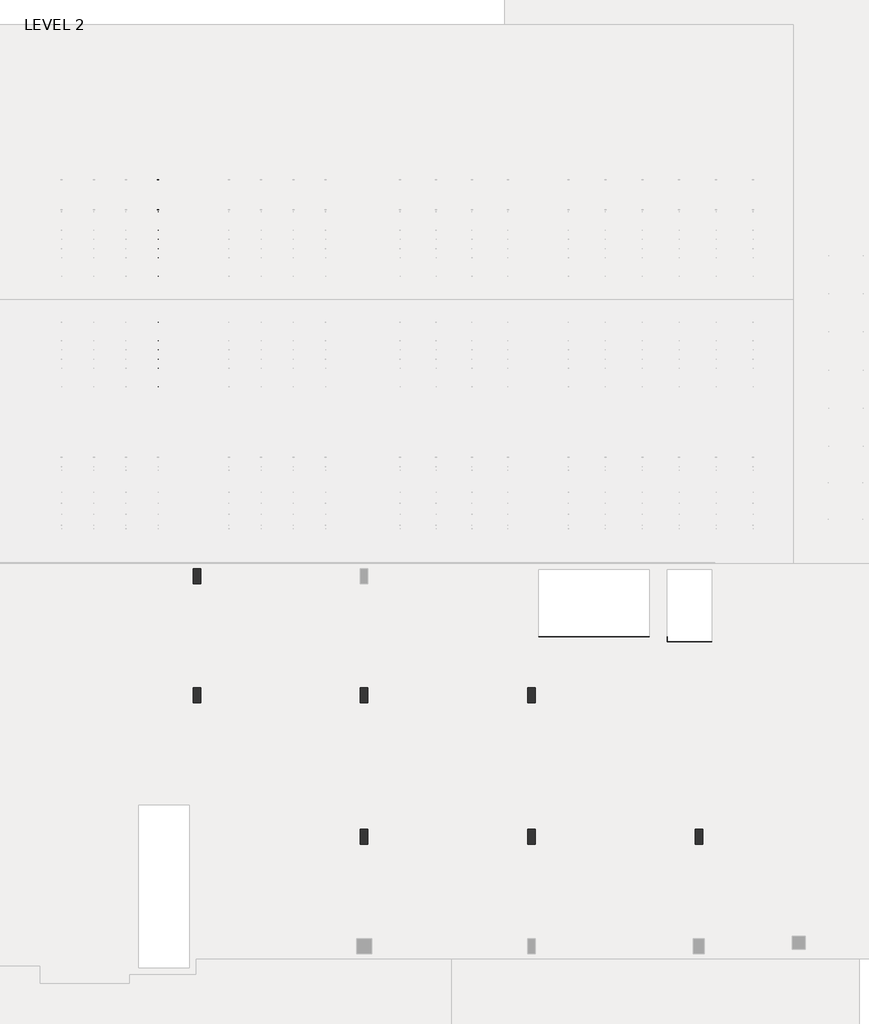
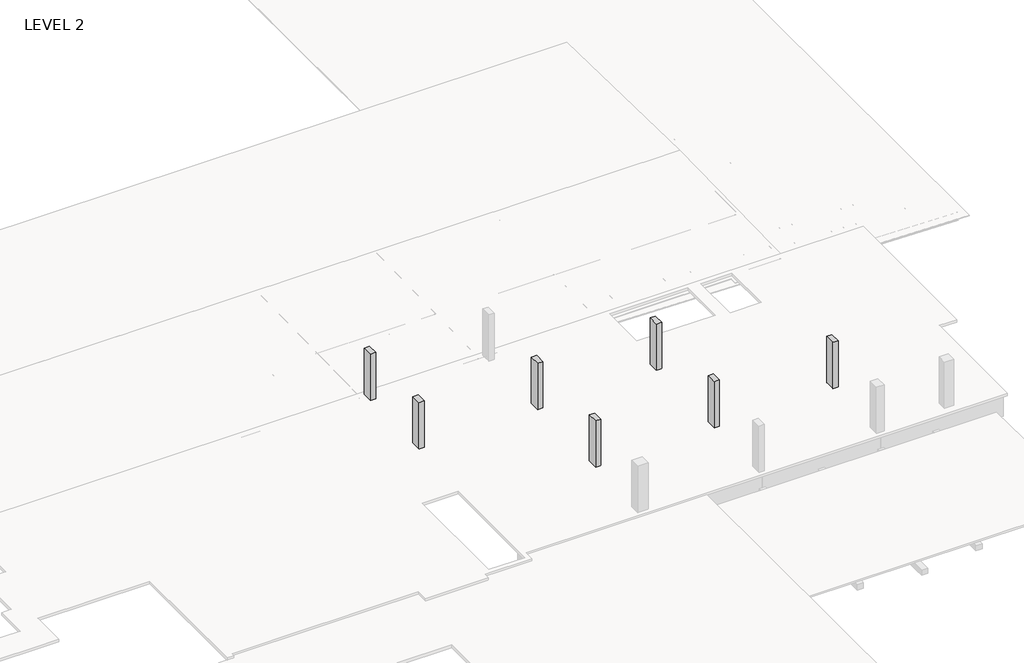
# One storey, part 35 of 67: 7 columns, 4 beams.
"""IFC4 building model written with IfcOpenShell, lengths in millimetres."""

from ifc_helpers import new_model, si_unit, frame, origin, place, context, project, spatial, polyline, outline, extrude, faceted_brep, element, save

model = new_model("IFC4")

# Units and contexts
model_context = context("Model", 3, world=origin())
ifc_project = project(units=[si_unit("LENGTHUNIT", "METRE", prefix="MILLI")], contexts=[model_context])

# Site, building, storey
site = spatial("IfcSite", under=ifc_project)
building = spatial("IfcBuilding", under=site)
storey = spatial("IfcBuildingStorey", under=building, Name="LEVEL 2", Elevation=6908.8)

# Beams
placement = place(None, origin())
element("IfcBeam", 1, ObjectType="K-Series Bar Joist-Angle Web : 30K7", at=placement, inside=storey, context=model_context, shape_type="SolidModel", body=[
    extrude(outline(polyline([(0.0, -9.525), (0.0, 0.0), (1596.011582, 0.0), (1596.011582, -9.525), (0.0, -9.525)])), frame((30825.0014942, 3035.5608234, 6301.5998528), z_axis=(0.0, -0.45537207995192985, 0.8903012236317849), x_axis=(0.0, -0.8903012236317849, -0.45537207995192985)), (0.0, 0.0, 1.0), 9.525),
    extrude(outline(polyline([(0.0, -9.525), (0.0, 0.0), (1596.011582, 0.0), (1596.011582, -9.525), (0.0, -9.525)])), frame((30815.4764942, -9405.2089013, 6276.405159), z_axis=(0.0, 0.45176233395621196, 0.8921383265046045), x_axis=(0.0, 0.8921383265046045, -0.45176233395621196)), (0.0, 0.0, 1.0), 9.525),
    extrude(outline(polyline([(4.7625, 4.7625), (4.7625, -4.7625), (-4.7625, -4.7625), (-4.7625, 4.7625), (4.7625, 4.7625)])), frame((30820.2389942, 1612.4610495, 5579.0607987), z_axis=(0.0, 0.5141906943646374, 0.8576758885667779), x_axis=(-1.0, 0.0, 0.0)), (0.0, 0.0, 1.0), 845.0528554),
    extrude(outline(polyline([(4.7625, 4.7625), (4.7625, -4.7625), (-4.7625, -4.7625), (-4.7625, 4.7625), (4.7625, 4.7625)])), frame((30820.2389942, -7979.1942813, 5559.6360505), z_axis=(0.0, -0.5176603441548682, 0.8555862131249332), x_axis=(-1.0, 0.0, 0.0)), (0.0, 0.0, 1.0), 845.0528554),
    extrude(outline(polyline([(0.0, 0.0), (31.75, 0.0), (31.75, -6.35), (6.35, -6.35), (6.35, -31.75), (0.0, -31.75), (0.0, 0.0)])), frame((30825.0014942, -8080.7812131, 5553.0803065), z_axis=(0.0, 0.9999979493462576, 0.0020251674695521043), x_axis=(1.0, 0.0, 0.0)), (0.0, 0.0, 1.0), 9794.875),
    extrude(outline(polyline([(-9.525, 0.0), (-9.525, -31.75), (-15.875, -31.75), (-15.875, -6.35), (-41.275, -6.35), (-41.275, 0.0), (-9.525, 0.0)])), frame((30825.0014942, -8080.7812131, 5553.0803065), z_axis=(0.0, 0.9999979493462576, 0.0020251674695521043), x_axis=(1.0, 0.0, 0.0)), (0.0, 0.0, 1.0), 9794.875),
    extrude(outline(polyline([(-31.75, 0.0), (0.0, 0.0), (0.0, -6.35), (-25.4, -6.35), (-25.4, -31.75), (-31.75, -31.75), (-31.75, 0.0)])), frame((30856.7514942, -9504.5928758, 6248.6982759), z_axis=(0.0, 0.9999979493462576, 0.0020251674695521043), x_axis=(1.0, 0.0, 0.0)), (0.0, 0.0, 1.0), 101.6),
    extrude(outline(polyline([(-41.275, 0.0), (-41.275, -31.75), (-47.625, -31.75), (-47.625, -6.35), (-73.025, -6.35), (-73.025, 0.0), (-41.275, 0.0)])), frame((30856.7514942, -9504.5928758, 6248.6982759), z_axis=(0.0, 0.9999979493462576, 0.0020251674695521043), x_axis=(1.0, 0.0, 0.0)), (0.0, 0.0, 1.0), 101.6),
    extrude(outline(polyline([(0.0, 0.0), (31.75, 0.0), (31.75, -6.35), (6.35, -6.35), (6.35, -31.75), (0.0, -31.75), (0.0, 0.0)])), frame((30815.4764942, 3033.456413, 6274.0899775), z_axis=(0.0, 0.9999979493462576, 0.0020251674695521043), x_axis=(0.0, -0.0020251674695521043, 0.9999979493462576)), (0.0, 0.0, 1.0), 101.6),
    extrude(outline(polyline([(0.0, 41.275), (6.35, 41.275), (6.35, 15.875), (31.75, 15.875), (31.75, 9.525), (0.0, 9.525), (0.0, 41.275)])), frame((30815.4764942, 3033.456413, 6274.0899775), z_axis=(0.0, 0.9999979493462576, 0.0020251674695521043), x_axis=(0.0, -0.0020251674695521043, 0.9999979493462576)), (0.0, 0.0, 1.0), 101.6),
    extrude(outline(polyline([(0.0, 0.0), (31.75, 0.0), (31.75, -6.35), (6.35, -6.35), (6.35, -31.75), (0.0, -31.75), (0.0, 0.0)])), frame((30825.0014942, -9504.7214739, 6312.1981457), z_axis=(0.0, 0.9999979493462576, 0.0020251674695521043), x_axis=(0.0, 0.0020251674695521043, -0.9999979493462576)), (0.0, 0.0, 1.0), 12639.675),
    extrude(outline(polyline([(0.0, 9.525), (0.0, 41.275), (6.35, 41.275), (6.35, 15.875), (31.75, 15.875), (31.75, 9.525), (0.0, 9.525)])), frame((30825.0014942, -9504.7214739, 6312.1981457), z_axis=(0.0, 0.9999979493462576, 0.0020251674695521043), x_axis=(0.0, 0.0020251674695521043, -0.9999979493462576)), (0.0, 0.0, 1.0), 12639.675),
    faceted_brep([(30820.2389942, 1612.4289, 5594.9357661), (30820.2389942, 1612.4674794, 5575.8858052), (30815.4764942, 1612.4674794, 5575.8858052), (30815.4764942, 1612.4289, 5594.9357661), (30820.2389942, 1611.5910583, 5594.9340693), (30820.2389942, 1186.8149607, 6330.6753354), (30820.2389942, 1168.6028414, 6330.6384527), (30820.2389942, 1168.6414208, 6311.5884918), (30820.2389942, 1175.8292494, 6311.6030483), (30820.2389942, 1600.6053471, 5575.8617823), (30815.4764942, 1600.6053471, 5575.8617823), (30815.4764942, 1580.4651011, 5610.7460665), (30815.4764942, 1584.5895575, 5613.1272983), (30815.4764942, 1189.1083632, 6298.1277874), (30815.4764942, 1184.9839067, 6295.7465555), (30815.4764942, 1175.8292494, 6311.6030483), (30815.4764942, 1168.6414208, 6311.5884918), (30815.4764942, 1168.6028414, 6330.6384527), (30815.4764942, 1186.8149607, 6330.6753354), (30815.4764942, 1611.5910583, 5594.9340693), (30802.7764942, 1184.9839067, 6295.7465555), (30802.7764942, 1580.4651011, 5610.7460665), (30802.7764942, 1584.5895575, 5613.1272983), (30802.7764942, 1189.1083632, 6298.1277874)], [[[0, 1, 2, 3]], [[1, 0, 4, 5, 6, 7, 8, 9]], [[2, 1, 9, 10]], [[3, 2, 10, 11, 12, 13, 14, 15, 16, 17, 18, 19]], [[0, 3, 19, 4]], [[9, 8, 15, 14, 20, 21, 11, 10]], [[5, 4, 19, 18]], [[7, 6, 17, 16]], [[8, 7, 16, 15]], [[6, 5, 18, 17]], [[21, 22, 12, 11]], [[20, 14, 13, 23]], [[22, 21, 20, 23]], [[12, 22, 23, 13]]]),
    extrude(outline(polyline([(740.498813, 5574.119919), (740.4602335, 5593.1698799), (741.2980751, 5593.1715767), (1163.090696, 6330.6272897), (1181.3028154, 6330.6641723), (1181.3413948, 6311.6142114), (1174.1535662, 6311.5996548), (752.3609453, 5574.1439418), (740.498813, 5574.119919)])), frame((30820.2389942, 0.0, 0.0), z_axis=(1.0, 0.0, 0.0), x_axis=(0.0, 1.0, 0.0)), (0.0, 0.0, 1.0), 4.7625),
    extrude(outline(polyline([(-4.7625, 4.7625), (-4.7625, 0.0), (-17.4625, 0.0), (-17.4625, 4.7625), (-4.7625, 4.7625)])), frame((30820.2389942, 772.3597334, 5609.1095144), z_axis=(0.0, 0.4964843899757221, 0.8680456500152716), x_axis=(-1.0, 0.0, 0.0)), (0.0, 0.0, 1.0), 790.9684223),
    faceted_brep([(30820.2389942, -7107.2577644, 5577.2769041), (30820.2389942, -7107.219185, 5558.2269432), (30815.4764942, -7107.219185, 5558.2269432), (30815.4764942, -7107.2577644, 5577.2769041), (30820.2389942, -7108.095606, 5577.2752074), (30820.2389942, -7532.8717036, 6313.0164734), (30820.2389942, -7551.083823, 6312.9795907), (30820.2389942, -7551.0452435, 6293.9296298), (30820.2389942, -7543.8574149, 6293.9441864), (30820.2389942, -7119.0813173, 5558.2029203), (30815.4764942, -7119.0813173, 5558.2029203), (30815.4764942, -7139.2215633, 5593.0872045), (30815.4764942, -7135.0971068, 5595.4684363), (30815.4764942, -7530.5783012, 6280.4689254), (30815.4764942, -7534.7027576, 6278.0876936), (30815.4764942, -7543.8574149, 6293.9441864), (30815.4764942, -7551.0452435, 6293.9296298), (30815.4764942, -7551.083823, 6312.9795907), (30815.4764942, -7532.8717036, 6313.0164734), (30815.4764942, -7108.095606, 5577.2752074), (30802.7764942, -7534.7027576, 6278.0876936), (30802.7764942, -7139.2215633, 5593.0872045), (30802.7764942, -7135.0971068, 5595.4684363), (30802.7764942, -7530.5783012, 6280.4689254)], [[[0, 1, 2, 3]], [[1, 0, 4, 5, 6, 7, 8, 9]], [[2, 1, 9, 10]], [[3, 2, 10, 11, 12, 13, 14, 15, 16, 17, 18, 19]], [[0, 3, 19, 4]], [[9, 8, 15, 14, 20, 21, 11, 10]], [[5, 4, 19, 18]], [[7, 6, 17, 16]], [[8, 7, 16, 15]], [[6, 5, 18, 17]], [[21, 22, 12, 11]], [[20, 14, 13, 23]], [[22, 21, 20, 23]], [[12, 22, 23, 13]]]),
    extrude(outline(polyline([(-7979.1878514, 5556.461057), (-7979.2264308, 5575.5110179), (-7978.3885892, 5575.5127147), (-7556.5959683, 6312.9684277), (-7538.383849, 6313.0053103), (-7538.3452696, 6293.9553494), (-7545.5330982, 6293.9407928), (-7967.3257191, 5556.4850798), (-7979.1878514, 5556.461057)])), frame((30820.2389942, 0.0, 0.0), z_axis=(1.0, 0.0, 0.0), x_axis=(0.0, 1.0, 0.0)), (0.0, 0.0, 1.0), 4.7625),
    extrude(outline(polyline([(-4.7625, 4.7625), (-4.7625, 0.0), (-17.4625, 0.0), (-17.4625, 4.7625), (-4.7625, 4.7625)])), frame((30820.2389942, -7947.326931, 5591.4506524), z_axis=(0.0, 0.4964843899757221, 0.8680456500152716), x_axis=(-1.0, 0.0, 0.0)), (0.0, 0.0, 1.0), 790.9684223),
    faceted_brep([(30820.2389942, 740.4602335, 5593.1698799), (30820.2389942, 740.498813, 5574.119919), (30815.4764942, 740.498813, 5574.119919), (30815.4764942, 740.4602335, 5593.1698799), (30820.2389942, 739.6223919, 5593.1681831), (30820.2389942, 314.8462943, 6328.9094492), (30820.2389942, 296.634175, 6328.8725665), (30820.2389942, 296.6727544, 6309.8226056), (30820.2389942, 303.860583, 6309.8371621), (30820.2389942, 728.6366806, 5574.0958961), (30815.4764942, 728.6366806, 5574.0958961), (30815.4764942, 708.4964346, 5608.9801803), (30815.4764942, 712.6208911, 5611.3614121), (30815.4764942, 317.1396968, 6296.3619012), (30815.4764942, 313.0152403, 6293.9806693), (30815.4764942, 303.860583, 6309.8371621), (30815.4764942, 296.6727544, 6309.8226056), (30815.4764942, 296.634175, 6328.8725665), (30815.4764942, 314.8462943, 6328.9094492), (30815.4764942, 739.6223919, 5593.1681831), (30802.7764942, 313.0152403, 6293.9806693), (30802.7764942, 708.4964346, 5608.9801803), (30802.7764942, 712.6208911, 5611.3614121), (30802.7764942, 317.1396968, 6296.3619012)], [[[0, 1, 2, 3]], [[1, 0, 4, 5, 6, 7, 8, 9]], [[2, 1, 9, 10]], [[3, 2, 10, 11, 12, 13, 14, 15, 16, 17, 18, 19]], [[0, 3, 19, 4]], [[9, 8, 15, 14, 20, 21, 11, 10]], [[5, 4, 19, 18]], [[7, 6, 17, 16]], [[8, 7, 16, 15]], [[6, 5, 18, 17]], [[21, 22, 12, 11]], [[20, 14, 13, 23]], [[22, 21, 20, 23]], [[12, 22, 23, 13]]]),
    extrude(outline(polyline([(-131.4698535, 5572.3540328), (-131.5084329, 5591.4039937), (-130.6705913, 5591.4056905), (291.1220296, 6328.8614035), (309.3341489, 6328.8982861), (309.3727284, 6309.8483252), (302.1848998, 6309.8337686), (-119.6077211, 5572.3780556), (-131.4698535, 5572.3540328)])), frame((30820.2389942, 0.0, 0.0), z_axis=(1.0, 0.0, 0.0), x_axis=(0.0, 1.0, 0.0)), (0.0, 0.0, 1.0), 4.7625),
    extrude(outline(polyline([(-4.7625, 4.7625), (-4.7625, 0.0), (-17.4625, 0.0), (-17.4625, 4.7625), (-4.7625, 4.7625)])), frame((30820.2389942, -99.6089331, 5607.3436282), z_axis=(0.0, 0.4964843899757221, 0.8680456500152716), x_axis=(-1.0, 0.0, 0.0)), (0.0, 0.0, 1.0), 790.9684223),
    faceted_brep([(30820.2389942, -131.5084329, 5591.4039937), (30820.2389942, -131.4698535, 5572.3540328), (30815.4764942, -131.4698535, 5572.3540328), (30815.4764942, -131.5084329, 5591.4039937), (30820.2389942, -132.3462745, 5591.4022969), (30820.2389942, -557.1223722, 6327.143563), (30820.2389942, -575.3344915, 6327.1066803), (30820.2389942, -575.295912, 6308.0567194), (30820.2389942, -568.1080834, 6308.0712759), (30820.2389942, -143.3319858, 5572.3300099), (30815.4764942, -143.3319858, 5572.3300099), (30815.4764942, -163.4722318, 5607.2142941), (30815.4764942, -159.3477753, 5609.5955259), (30815.4764942, -554.8289697, 6294.596015), (30815.4764942, -558.9534262, 6292.2147831), (30815.4764942, -568.1080834, 6308.0712759), (30815.4764942, -575.295912, 6308.0567194), (30815.4764942, -575.3344915, 6327.1066803), (30815.4764942, -557.1223722, 6327.143563), (30815.4764942, -132.3462745, 5591.4022969), (30802.7764942, -558.9534262, 6292.2147831), (30802.7764942, -163.4722318, 5607.2142941), (30802.7764942, -159.3477753, 5609.5955259), (30802.7764942, -554.8289697, 6294.596015)], [[[0, 1, 2, 3]], [[1, 0, 4, 5, 6, 7, 8, 9]], [[2, 1, 9, 10]], [[3, 2, 10, 11, 12, 13, 14, 15, 16, 17, 18, 19]], [[0, 3, 19, 4]], [[9, 8, 15, 14, 20, 21, 11, 10]], [[5, 4, 19, 18]], [[7, 6, 17, 16]], [[8, 7, 16, 15]], [[6, 5, 18, 17]], [[21, 22, 12, 11]], [[20, 14, 13, 23]], [[22, 21, 20, 23]], [[12, 22, 23, 13]]]),
    extrude(outline(polyline([(-1003.4385199, 5570.5881466), (-1003.4770993, 5589.6381075), (-1002.6392577, 5589.6398043), (-580.8466368, 6327.0955173), (-562.6345175, 6327.1323999), (-562.5959381, 6308.082439), (-569.7837667, 6308.0678824), (-991.5763876, 5570.6121694), (-1003.4385199, 5570.5881466)])), frame((30820.2389942, 0.0, 0.0), z_axis=(1.0, 0.0, 0.0), x_axis=(0.0, 1.0, 0.0)), (0.0, 0.0, 1.0), 4.7625),
    extrude(outline(polyline([(-4.7625, 4.7625), (-4.7625, 0.0), (-17.4625, 0.0), (-17.4625, 4.7625), (-4.7625, 4.7625)])), frame((30820.2389942, -971.5775995, 5605.577742), z_axis=(0.0, 0.4964843899757221, 0.8680456500152716), x_axis=(-1.0, 0.0, 0.0)), (0.0, 0.0, 1.0), 790.9684223),
    faceted_brep([(30820.2389942, -1003.4770993, 5589.6381075), (30820.2389942, -1003.4385199, 5570.5881466), (30815.4764942, -1003.4385199, 5570.5881466), (30815.4764942, -1003.4770993, 5589.6381075), (30820.2389942, -1004.314941, 5589.6364107), (30820.2389942, -1429.0910386, 6325.3776768), (30820.2389942, -1447.3031579, 6325.3407941), (30820.2389942, -1447.2645785, 6306.2908332), (30820.2389942, -1440.0767499, 6306.3053897), (30820.2389942, -1015.3006522, 5570.5641237), (30815.4764942, -1015.3006522, 5570.5641237), (30815.4764942, -1035.4408983, 5605.4484079), (30815.4764942, -1031.3164418, 5607.8296397), (30815.4764942, -1426.7976361, 6292.8301288), (30815.4764942, -1430.9220926, 6290.4488969), (30815.4764942, -1440.0767499, 6306.3053897), (30815.4764942, -1447.2645785, 6306.2908332), (30815.4764942, -1447.3031579, 6325.3407941), (30815.4764942, -1429.0910386, 6325.3776768), (30815.4764942, -1004.314941, 5589.6364107), (30802.7764942, -1430.9220926, 6290.4488969), (30802.7764942, -1035.4408983, 5605.4484079), (30802.7764942, -1031.3164418, 5607.8296397), (30802.7764942, -1426.7976361, 6292.8301288)], [[[0, 1, 2, 3]], [[1, 0, 4, 5, 6, 7, 8, 9]], [[2, 1, 9, 10]], [[3, 2, 10, 11, 12, 13, 14, 15, 16, 17, 18, 19]], [[0, 3, 19, 4]], [[9, 8, 15, 14, 20, 21, 11, 10]], [[5, 4, 19, 18]], [[7, 6, 17, 16]], [[8, 7, 16, 15]], [[6, 5, 18, 17]], [[21, 22, 12, 11]], [[20, 14, 13, 23]], [[22, 21, 20, 23]], [[12, 22, 23, 13]]]),
    extrude(outline(polyline([(-1875.4071863, 5568.8222604), (-1875.4457658, 5587.8722213), (-1874.6079242, 5587.8739181), (-1452.8153033, 6325.3296311), (-1434.6031839, 6325.3665137), (-1434.5646045, 6306.3165528), (-1441.7524331, 6306.3019962), (-1863.545054, 5568.8462832), (-1875.4071863, 5568.8222604)])), frame((30820.2389942, 0.0, 0.0), z_axis=(1.0, 0.0, 0.0), x_axis=(0.0, 1.0, 0.0)), (0.0, 0.0, 1.0), 4.7625),
    extrude(outline(polyline([(-4.7625, 4.7625001), (-4.7625, 0.0), (-17.4625, 0.0), (-17.4625, 4.7625001), (-4.7625, 4.7625001)])), frame((30820.2389942, -1843.5462659, 5603.8118558), z_axis=(0.0, 0.4964843899757221, 0.8680456500152716), x_axis=(-1.0, 0.0, 0.0)), (0.0, 0.0, 1.0), 790.9684223),
    faceted_brep([(30820.2389942, -1875.4457658, 5587.8722213), (30820.2389942, -1875.4071863, 5568.8222604), (30815.4764942, -1875.4071863, 5568.8222604), (30815.4764942, -1875.4457658, 5587.8722213), (30820.2389942, -1876.2836074, 5587.8705245), (30820.2389942, -2301.059705, 6323.6117906), (30820.2389942, -2319.2718243, 6323.5749079), (30820.2389942, -2319.2332449, 6304.524947), (30820.2389942, -2312.0454163, 6304.5395035), (30820.2389942, -1887.2693187, 5568.7982375), (30815.4764942, -1887.2693187, 5568.7982375), (30815.4764942, -1907.4095647, 5603.6825217), (30815.4764942, -1903.2851082, 5606.0637535), (30815.4764942, -2298.7663026, 6291.0642426), (30815.4764942, -2302.890759, 6288.6830107), (30815.4764942, -2312.0454163, 6304.5395035), (30815.4764942, -2319.2332449, 6304.524947), (30815.4764942, -2319.2718243, 6323.5749079), (30815.4764942, -2301.059705, 6323.6117906), (30815.4764942, -1876.2836074, 5587.8705245), (30802.7764942, -2302.890759, 6288.6830107), (30802.7764942, -1907.4095647, 5603.6825217), (30802.7764942, -1903.2851082, 5606.0637535), (30802.7764942, -2298.7663026, 6291.0642426)], [[[0, 1, 2, 3]], [[1, 0, 4, 5, 6, 7, 8, 9]], [[2, 1, 9, 10]], [[3, 2, 10, 11, 12, 13, 14, 15, 16, 17, 18, 19]], [[0, 3, 19, 4]], [[9, 8, 15, 14, 20, 21, 11, 10]], [[5, 4, 19, 18]], [[7, 6, 17, 16]], [[8, 7, 16, 15]], [[6, 5, 18, 17]], [[21, 22, 12, 11]], [[20, 14, 13, 23]], [[22, 21, 20, 23]], [[12, 22, 23, 13]]]),
    extrude(outline(polyline([(-2747.3758528, 5567.0563742), (-2747.4144322, 5586.1063351), (-2746.5765906, 5586.1080319), (-2324.7839697, 6323.5637449), (-2306.5718504, 6323.6006275), (-2306.5332709, 6304.5506666), (-2313.7210995, 6304.53611), (-2735.5137204, 5567.080397), (-2747.3758528, 5567.0563742)])), frame((30820.2389942, 0.0, 0.0), z_axis=(1.0, 0.0, 0.0), x_axis=(0.0, 1.0, 0.0)), (0.0, 0.0, 1.0), 4.7625),
    extrude(outline(polyline([(-4.7625, 4.7625), (-4.7625, 0.0), (-17.4625, 0.0), (-17.4625, 4.7625), (-4.7625, 4.7625)])), frame((30820.2389942, -2715.5149324, 5602.0459696), z_axis=(0.0, 0.4964843899757221, 0.8680456500152716), x_axis=(-1.0, 0.0, 0.0)), (0.0, 0.0, 1.0), 790.9684223),
    faceted_brep([(30820.2389942, -2747.4144322, 5586.1063351), (30820.2389942, -2747.3758528, 5567.0563742), (30815.4764942, -2747.3758528, 5567.0563742), (30815.4764942, -2747.4144322, 5586.1063351), (30820.2389942, -2748.2522738, 5586.1046383), (30820.2389942, -3173.0283715, 6321.8459044), (30820.2389942, -3191.2404908, 6321.8090217), (30820.2389942, -3191.2019113, 6302.7590608), (30820.2389942, -3184.0140827, 6302.7736173), (30820.2389942, -2759.2379851, 5567.0323513), (30815.4764942, -2759.2379851, 5567.0323513), (30815.4764942, -2779.3782311, 5601.9166355), (30815.4764942, -2775.2537747, 5604.2978673), (30815.4764942, -3170.734969, 6289.2983564), (30815.4764942, -3174.8594255, 6286.9171245), (30815.4764942, -3184.0140827, 6302.7736173), (30815.4764942, -3191.2019113, 6302.7590608), (30815.4764942, -3191.2404908, 6321.8090217), (30815.4764942, -3173.0283715, 6321.8459044), (30815.4764942, -2748.2522738, 5586.1046383), (30802.7764942, -3174.8594255, 6286.9171245), (30802.7764942, -2779.3782311, 5601.9166355), (30802.7764942, -2775.2537747, 5604.2978673), (30802.7764942, -3170.734969, 6289.2983564)], [[[0, 1, 2, 3]], [[1, 0, 4, 5, 6, 7, 8, 9]], [[2, 1, 9, 10]], [[3, 2, 10, 11, 12, 13, 14, 15, 16, 17, 18, 19]], [[0, 3, 19, 4]], [[9, 8, 15, 14, 20, 21, 11, 10]], [[5, 4, 19, 18]], [[7, 6, 17, 16]], [[8, 7, 16, 15]], [[6, 5, 18, 17]], [[21, 22, 12, 11]], [[20, 14, 13, 23]], [[22, 21, 20, 23]], [[12, 22, 23, 13]]]),
    extrude(outline(polyline([(-3619.3445192, 5565.290488), (-3619.3830987, 5584.3404489), (-3618.545257, 5584.3421457), (-3196.7526361, 6321.7978587), (-3178.5405168, 6321.8347413), (-3178.5019374, 6302.7847804), (-3185.689766, 6302.7702238), (-3607.4823869, 5565.3145108), (-3619.3445192, 5565.290488)])), frame((30820.2389942, 0.0, 0.0), z_axis=(1.0, 0.0, 0.0), x_axis=(0.0, 1.0, 0.0)), (0.0, 0.0, 1.0), 4.7625),
    extrude(outline(polyline([(-4.7625, 4.7625), (-4.7625, 0.0), (-17.4625, 0.0), (-17.4625, 4.7625), (-4.7625, 4.7625)])), frame((30820.2389942, -3587.4835988, 5600.2800834), z_axis=(0.0, 0.4964843899757221, 0.8680456500152716), x_axis=(-1.0, 0.0, 0.0)), (0.0, 0.0, 1.0), 790.9684223),
    faceted_brep([(30820.2389942, -3619.3830987, 5584.3404489), (30820.2389942, -3619.3445192, 5565.290488), (30815.4764942, -3619.3445192, 5565.290488), (30815.4764942, -3619.3830987, 5584.3404489), (30820.2389942, -3620.2209403, 5584.3387521), (30820.2389942, -4044.9970379, 6320.0800182), (30820.2389942, -4063.2091572, 6320.0431355), (30820.2389942, -4063.1705778, 6300.9931746), (30820.2389942, -4055.9827492, 6301.0077311), (30820.2389942, -3631.2066516, 5565.2664651), (30815.4764942, -3631.2066516, 5565.2664651), (30815.4764942, -3651.3468976, 5600.1507493), (30815.4764942, -3647.2224411, 5602.5319811), (30815.4764942, -4042.7036354, 6287.5324702), (30815.4764942, -4046.8280919, 6285.1512383), (30815.4764942, -4055.9827492, 6301.0077311), (30815.4764942, -4063.1705778, 6300.9931746), (30815.4764942, -4063.2091572, 6320.0431355), (30815.4764942, -4044.9970379, 6320.0800182), (30815.4764942, -3620.2209403, 5584.3387521), (30802.7764942, -4046.8280919, 6285.1512383), (30802.7764942, -3651.3468976, 5600.1507493), (30802.7764942, -3647.2224411, 5602.5319811), (30802.7764942, -4042.7036354, 6287.5324702)], [[[0, 1, 2, 3]], [[1, 0, 4, 5, 6, 7, 8, 9]], [[2, 1, 9, 10]], [[3, 2, 10, 11, 12, 13, 14, 15, 16, 17, 18, 19]], [[0, 3, 19, 4]], [[9, 8, 15, 14, 20, 21, 11, 10]], [[5, 4, 19, 18]], [[7, 6, 17, 16]], [[8, 7, 16, 15]], [[6, 5, 18, 17]], [[21, 22, 12, 11]], [[20, 14, 13, 23]], [[22, 21, 20, 23]], [[12, 22, 23, 13]]]),
    extrude(outline(polyline([(-4491.3131857, 5563.5246018), (-4491.3517651, 5582.5745627), (-4490.5139235, 5582.5762595), (-4068.7213026, 6320.0319725), (-4050.5091833, 6320.0688551), (-4050.4706038, 6301.0188942), (-4057.6584324, 6301.0043376), (-4479.4510533, 5563.5486246), (-4491.3131857, 5563.5246018)])), frame((30820.2389942, 0.0, 0.0), z_axis=(1.0, 0.0, 0.0), x_axis=(0.0, 1.0, 0.0)), (0.0, 0.0, 1.0), 4.7625),
    extrude(outline(polyline([(-4.7625, 4.7625), (-4.7625, 0.0), (-17.4625, 0.0), (-17.4625, 4.7625), (-4.7625, 4.7625)])), frame((30820.2389942, -4459.4522653, 5598.5141972), z_axis=(0.0, 0.4964843899757221, 0.8680456500152716), x_axis=(-1.0, 0.0, 0.0)), (0.0, 0.0, 1.0), 790.9684223),
    faceted_brep([(30820.2389942, -4491.3517651, 5582.5745627), (30820.2389942, -4491.3131857, 5563.5246018), (30815.4764942, -4491.3131857, 5563.5246018), (30815.4764942, -4491.3517651, 5582.5745627), (30820.2389942, -4492.1896067, 5582.572866), (30820.2389942, -4916.9657043, 6318.314132), (30820.2389942, -4935.1778236, 6318.2772493), (30820.2389942, -4935.1392442, 6299.2272884), (30820.2389942, -4927.9514156, 6299.241845), (30820.2389942, -4503.175318, 5563.5005789), (30815.4764942, -4503.175318, 5563.5005789), (30815.4764942, -4523.315564, 5598.3848631), (30815.4764942, -4519.1911075, 5600.7660949), (30815.4764942, -4914.6723019, 6285.766584), (30815.4764942, -4918.7967583, 6283.3853521), (30815.4764942, -4927.9514156, 6299.241845), (30815.4764942, -4935.1392442, 6299.2272884), (30815.4764942, -4935.1778236, 6318.2772493), (30815.4764942, -4916.9657043, 6318.314132), (30815.4764942, -4492.1896067, 5582.572866), (30802.7764942, -4918.7967583, 6283.3853521), (30802.7764942, -4523.315564, 5598.3848631), (30802.7764942, -4519.1911075, 5600.7660949), (30802.7764942, -4914.6723019, 6285.766584)], [[[0, 1, 2, 3]], [[1, 0, 4, 5, 6, 7, 8, 9]], [[2, 1, 9, 10]], [[3, 2, 10, 11, 12, 13, 14, 15, 16, 17, 18, 19]], [[0, 3, 19, 4]], [[9, 8, 15, 14, 20, 21, 11, 10]], [[5, 4, 19, 18]], [[7, 6, 17, 16]], [[8, 7, 16, 15]], [[6, 5, 18, 17]], [[21, 22, 12, 11]], [[20, 14, 13, 23]], [[22, 21, 20, 23]], [[12, 22, 23, 13]]]),
    extrude(outline(polyline([(-5363.2818521, 5561.7587156), (-5363.3204315, 5580.8086765), (-5362.4825899, 5580.8103733), (-4940.689969, 6318.2660863), (-4922.4778497, 6318.3029689), (-4922.4392703, 6299.253008), (-4929.6270988, 6299.2384514), (-5351.4197198, 5561.7827384), (-5363.2818521, 5561.7587156)])), frame((30820.2389942, 0.0, 0.0), z_axis=(1.0, 0.0, 0.0), x_axis=(0.0, 1.0, 0.0)), (0.0, 0.0, 1.0), 4.7625),
    extrude(outline(polyline([(-4.7625, 4.7625), (-4.7625, 0.0), (-17.4625, 0.0), (-17.4625, 4.7625), (-4.7625, 4.7625)])), frame((30820.2389942, -5331.4209317, 5596.748311), z_axis=(0.0, 0.4964843899757221, 0.8680456500152716), x_axis=(-1.0, 0.0, 0.0)), (0.0, 0.0, 1.0), 790.9684223),
    faceted_brep([(30820.2389942, -5363.3204315, 5580.8086765), (30820.2389942, -5363.2818521, 5561.7587156), (30815.4764942, -5363.2818521, 5561.7587156), (30815.4764942, -5363.3204315, 5580.8086765), (30820.2389942, -5364.1582731, 5580.8069798), (30820.2389942, -5788.9343708, 6316.5482458), (30820.2389942, -5807.1464901, 6316.5113631), (30820.2389942, -5807.1079106, 6297.4614022), (30820.2389942, -5799.920082, 6297.4759588), (30820.2389942, -5375.1439844, 5561.7346927), (30815.4764942, -5375.1439844, 5561.7346927), (30815.4764942, -5395.2842304, 5596.6189769), (30815.4764942, -5391.159774, 5599.0002087), (30815.4764942, -5786.6409683, 6284.0006978), (30815.4764942, -5790.7654248, 6281.6194659), (30815.4764942, -5799.920082, 6297.4759588), (30815.4764942, -5807.1079106, 6297.4614022), (30815.4764942, -5807.1464901, 6316.5113631), (30815.4764942, -5788.9343708, 6316.5482458), (30815.4764942, -5364.1582731, 5580.8069798), (30802.7764942, -5790.7654248, 6281.6194659), (30802.7764942, -5395.2842304, 5596.6189769), (30802.7764942, -5391.159774, 5599.0002087), (30802.7764942, -5786.6409683, 6284.0006978)], [[[0, 1, 2, 3]], [[1, 0, 4, 5, 6, 7, 8, 9]], [[2, 1, 9, 10]], [[3, 2, 10, 11, 12, 13, 14, 15, 16, 17, 18, 19]], [[0, 3, 19, 4]], [[9, 8, 15, 14, 20, 21, 11, 10]], [[5, 4, 19, 18]], [[7, 6, 17, 16]], [[8, 7, 16, 15]], [[6, 5, 18, 17]], [[21, 22, 12, 11]], [[20, 14, 13, 23]], [[22, 21, 20, 23]], [[12, 22, 23, 13]]]),
    extrude(outline(polyline([(-6235.2505185, 5559.9928294), (-6235.289098, 5579.0427903), (-6234.4512563, 5579.0444871), (-5812.6586354, 6316.5002001), (-5794.4465161, 6316.5370827), (-5794.4079367, 6297.4871218), (-5801.5957653, 6297.4725652), (-6223.3883862, 5560.0168522), (-6235.2505185, 5559.9928294)])), frame((30820.2389942, 0.0, 0.0), z_axis=(1.0, 0.0, 0.0), x_axis=(0.0, 1.0, 0.0)), (0.0, 0.0, 1.0), 4.7625),
    extrude(outline(polyline([(-4.7625, 4.7625), (-4.7625, 0.0), (-17.4625, 0.0), (-17.4625, 4.7625), (-4.7625, 4.7625)])), frame((30820.2389942, -6203.3895981, 5594.9824248), z_axis=(0.0, 0.4964843899757221, 0.8680456500152716), x_axis=(-1.0, 0.0, 0.0)), (0.0, 0.0, 1.0), 790.9684223),
    faceted_brep([(30820.2389942, -6235.289098, 5579.0427903), (30820.2389942, -6235.2505185, 5559.9928294), (30815.4764942, -6235.2505185, 5559.9928294), (30815.4764942, -6235.289098, 5579.0427903), (30820.2389942, -6236.1269396, 5579.0410936), (30820.2389942, -6660.9030372, 6314.7823596), (30820.2389942, -6679.1151565, 6314.7454769), (30820.2389942, -6679.0765771, 6295.695516), (30820.2389942, -6671.8887485, 6295.7100726), (30820.2389942, -6247.1126509, 5559.9688065), (30815.4764942, -6247.1126509, 5559.9688065), (30815.4764942, -6267.2528969, 5594.8530907), (30815.4764942, -6263.1284404, 5597.2343225), (30815.4764942, -6658.6096347, 6282.2348116), (30815.4764942, -6662.7340912, 6279.8535798), (30815.4764942, -6671.8887485, 6295.7100726), (30815.4764942, -6679.0765771, 6295.695516), (30815.4764942, -6679.1151565, 6314.7454769), (30815.4764942, -6660.9030372, 6314.7823596), (30815.4764942, -6236.1269396, 5579.0410936), (30802.7764942, -6662.7340912, 6279.8535798), (30802.7764942, -6267.2528969, 5594.8530907), (30802.7764942, -6263.1284404, 5597.2343225), (30802.7764942, -6658.6096347, 6282.2348116)], [[[0, 1, 2, 3]], [[1, 0, 4, 5, 6, 7, 8, 9]], [[2, 1, 9, 10]], [[3, 2, 10, 11, 12, 13, 14, 15, 16, 17, 18, 19]], [[0, 3, 19, 4]], [[9, 8, 15, 14, 20, 21, 11, 10]], [[5, 4, 19, 18]], [[7, 6, 17, 16]], [[8, 7, 16, 15]], [[6, 5, 18, 17]], [[21, 22, 12, 11]], [[20, 14, 13, 23]], [[22, 21, 20, 23]], [[12, 22, 23, 13]]]),
    extrude(outline(polyline([(-7107.219185, 5558.2269432), (-7107.2577644, 5577.2769041), (-7106.4199228, 5577.2786009), (-6684.6273019, 6314.7343139), (-6666.4151826, 6314.7711965), (-6666.3766031, 6295.7212356), (-6673.5644317, 6295.706679), (-7095.3570526, 5558.250966), (-7107.219185, 5558.2269432)])), frame((30820.2389942, 0.0, 0.0), z_axis=(1.0, 0.0, 0.0), x_axis=(0.0, 1.0, 0.0)), (0.0, 0.0, 1.0), 4.7625),
    extrude(outline(polyline([(-4.7625, 4.7625), (-4.7625, 0.0), (-17.4625, 0.0), (-17.4625, 4.7625), (-4.7625, 4.7625)])), frame((30820.2389942, -7075.3582646, 5593.2165386), z_axis=(0.0, 0.4964843899757221, 0.8680456500152716), x_axis=(-1.0, 0.0, 0.0)), (0.0, 0.0, 1.0), 790.9684223),
])
element("IfcBeam", 2, ObjectType="UC Concrete-Rectangular Beam : 12\"x14\"", at=placement, inside=storey, context=model_context, shape_type="SweptSolid", body=[
    extrude(outline(polyline([(54931.1889942, -19051.9251747), (54931.1889942, -18747.1251747), (57025.1014942, -18747.1251747), (57025.1014942, -19051.9251747), (54931.1889942, -19051.9251747)])), frame((0.0, 0.0, 6553.2), z_axis=(0.0, 0.0, 1.0), x_axis=(1.0, 0.0, 0.0)), (0.0, 0.0, 1.0), 177.8),
])
element("IfcBeam", 3, ObjectType="UC Concrete-Rectangular Beam : 12\"x14\"", at=placement, inside=storey, context=model_context, shape_type="SweptSolid", body=[
    extrude(outline(polyline([(48846.3014942, -18816.5121146), (48846.3014942, -18511.7121146), (54078.7014942, -18511.7121146), (54078.7014942, -18816.5121146), (48846.3014942, -18816.5121146)])), frame((0.0, 0.0, 6553.2), z_axis=(0.0, 0.0, 1.0), x_axis=(1.0, 0.0, 0.0)), (0.0, 0.0, 1.0), 177.8),
])
element("IfcBeam", 4, ObjectType="UC Concrete-Rectangular Beam : 21.25\"x14\"", at=placement, inside=storey, context=model_context, shape_type="Brep", body=[
    faceted_brep([(54080.2889942, -19051.9251747, 6553.2), (54080.2889942, -19051.9251747, 6731.0), (54080.2889942, -18941.0107149, 6731.0), (54080.2889942, -18941.0107149, 6553.2), (54931.1889942, -19051.9251747, 6553.2), (54931.1889942, -19051.9251747, 6731.0), (54383.5014942, -18941.0107149, 6553.2), (54383.5014942, -18512.1751747, 6553.2), (54931.1889942, -18512.1751747, 6553.2), (54931.1889942, -18747.1251747, 6553.2), (54931.1889942, -18512.1751747, 6731.0), (54383.5014942, -18512.1751747, 6731.0), (54931.1889942, -18747.1251747, 6731.0), (54383.5014942, -18941.0107149, 6731.0)], [[[0, 1, 2, 3]], [[0, 4, 5, 1]], [[4, 0, 3, 6, 7, 8, 9]], [[10, 8, 7, 11]], [[4, 9, 8, 10, 12, 5]], [[1, 5, 12, 10, 11, 13, 2]], [[6, 13, 11, 7]], [[13, 6, 3, 2]]]),
])

# Columns
element("IfcColumn", 5, ObjectType="UC Concrete-Rectangular-Column : 14 x 28", at=placement, inside=storey, context=model_context, shape_type="SweptSolid", body=[
    extrude(outline(polyline([(32826.8389942, -15296.1107149), (32826.8389942, -16007.3107149), (32471.2389942, -16007.3107149), (32471.2389942, -15296.1107149), (32826.8389942, -15296.1107149)])), frame((0.0, 0.0, 6908.8), z_axis=(0.0, 0.0, 1.0), x_axis=(1.0, 0.0, 0.0)), (0.0, 0.0, 1.0), 3276.6),
])
element("IfcColumn", 6, ObjectType="UC Concrete-Rectangular-Column : 14 x 28", at=placement, inside=storey, context=model_context, shape_type="SweptSolid", body=[
    extrude(outline(polyline([(32826.8389942, -20934.9107149), (32826.8389942, -21646.1107149), (32471.2389942, -21646.1107149), (32471.2389942, -20934.9107149), (32826.8389942, -20934.9107149)])), frame((0.0, 0.0, 6908.8), z_axis=(0.0, 0.0, 1.0), x_axis=(1.0, 0.0, 0.0)), (0.0, 0.0, 1.0), 3276.6),
])
element("IfcColumn", 7, ObjectType="UC Concrete-Rectangular-Column : 14 x 28", at=placement, inside=storey, context=model_context, shape_type="SweptSolid", body=[
    extrude(outline(polyline([(40751.6389942, -27640.5107149), (40751.6389942, -28351.7107149), (40396.0389942, -28351.7107149), (40396.0389942, -27640.5107149), (40751.6389942, -27640.5107149)])), frame((0.0, 0.0, 6908.8), z_axis=(0.0, 0.0, 1.0), x_axis=(1.0, 0.0, 0.0)), (0.0, 0.0, 1.0), 3276.6),
])
element("IfcColumn", 8, ObjectType="UC Concrete-Rectangular-Column : 14 x 28", at=placement, inside=storey, context=model_context, shape_type="SweptSolid", body=[
    extrude(outline(polyline([(40751.6389942, -20934.9107149), (40751.6389942, -21646.1107149), (40396.0389942, -21646.1107149), (40396.0389942, -20934.9107149), (40751.6389942, -20934.9107149)])), frame((0.0, 0.0, 6908.8), z_axis=(0.0, 0.0, 1.0), x_axis=(1.0, 0.0, 0.0)), (0.0, 0.0, 1.0), 3276.6),
])
element("IfcColumn", 9, ObjectType="UC Concrete-Rectangular-Column : 14 x 28", at=placement, inside=storey, context=model_context, shape_type="SweptSolid", body=[
    extrude(outline(polyline([(48676.4389942, -20934.9107149), (48676.4389942, -21646.1107149), (48320.8389942, -21646.1107149), (48320.8389942, -20934.9107149), (48676.4389942, -20934.9107149)])), frame((0.0, 0.0, 6908.8), z_axis=(0.0, 0.0, 1.0), x_axis=(1.0, 0.0, 0.0)), (0.0, 0.0, 1.0), 3276.6),
])
element("IfcColumn", 10, ObjectType="UC Concrete-Rectangular-Column : 14 x 28", at=placement, inside=storey, context=model_context, shape_type="SweptSolid", body=[
    extrude(outline(polyline([(48676.4389942, -27640.5107149), (48676.4389942, -28351.7107149), (48320.8389942, -28351.7107149), (48320.8389942, -27640.5107149), (48676.4389942, -27640.5107149)])), frame((0.0, 0.0, 6908.8), z_axis=(0.0, 0.0, 1.0), x_axis=(1.0, 0.0, 0.0)), (0.0, 0.0, 1.0), 3276.6),
])
element("IfcColumn", 11, ObjectType="UC Concrete-Rectangular-Column : 14 x 28", at=placement, inside=storey, context=model_context, shape_type="SweptSolid", body=[
    extrude(outline(polyline([(56601.2389942, -27640.5107149), (56601.2389942, -28351.7107149), (56245.6389942, -28351.7107149), (56245.6389942, -27640.5107149), (56601.2389942, -27640.5107149)])), frame((0.0, 0.0, 6908.8), z_axis=(0.0, 0.0, 1.0), x_axis=(1.0, 0.0, 0.0)), (0.0, 0.0, 1.0), 3276.6),
])

save(model, "model.ifc")
